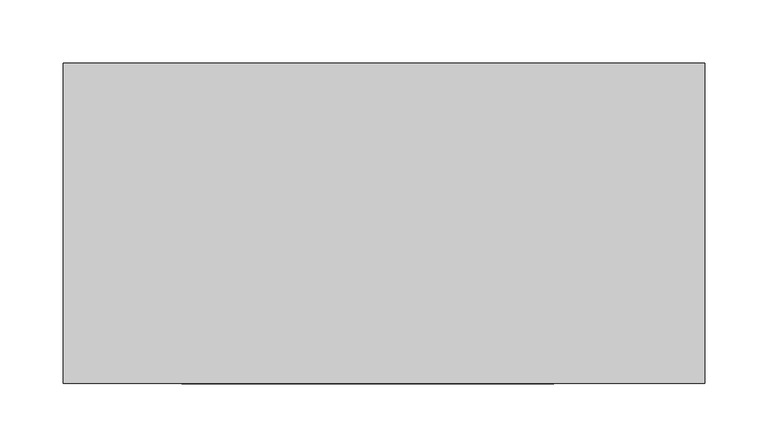
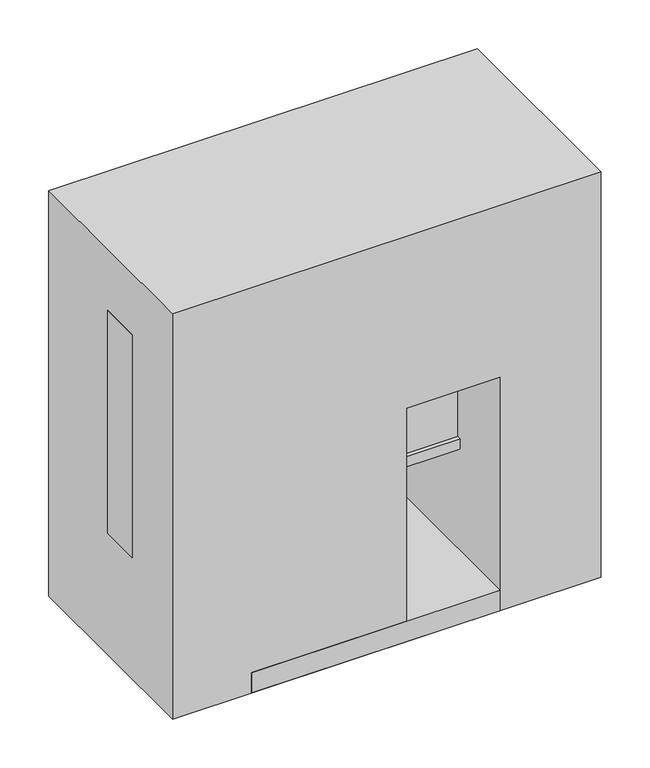
"""IFC4 building model written with IfcOpenShell, lengths in millimetres: proxy geometry."""

from ifc_helpers import new_model, si_unit, origin, place, context, project, spatial, faceted_brep, source, transform, mapped, element, save


def specialty_equipment_f5d2d7ad(model_context):
    return source(origin(), model_context, "Body", "Brep", [
        faceted_brep([(228.6, 6.2656905, 431.8), (-254.0, 6.2656905, 431.8), (-254.0, -44.3656905, 431.8), (228.6, -44.3656905, 431.8), (228.6, 6.2656905, 152.4), (228.6, -44.3656905, 152.4), (-254.0, -44.3656905, 152.4), (-254.0, 6.2656905, 152.4), (-241.3, -44.3656905, 419.1), (215.9, -44.3656905, 419.1), (215.9, -44.3656905, 165.1), (-241.3, -44.3656905, 165.1), (215.9, -39.5794881, 419.1), (-241.3, -39.5794881, 419.1), (215.9, -39.5794881, 165.1), (-241.3, -39.5794881, 165.1)], [[[0, 1, 2, 3]], [[4, 5, 6, 7]], [[1, 0, 4, 7]], [[2, 1, 7, 6]], [[3, 2, 6, 5], [8, 9, 10, 11]], [[0, 3, 5, 4]], [[12, 9, 8, 13]], [[14, 15, 11, 10]], [[12, 13, 15, 14]], [[13, 8, 11, 15]], [[9, 12, 14, 10]]]),
        faceted_brep([(134.5218395, -127.0, 25.4), (134.5218395, -127.0, 0.0), (134.5218395, 88.9, 0.0), (134.5218395, 88.9, 25.4), (-159.9218395, -127.0, 25.4), (-159.9218395, 88.9, 25.4), (-159.9218395, 88.9, 0.0), (-159.9218395, -127.0, 0.0), (24.2685686, 69.7656905, 31.75), (24.2685686, 69.7656905, 25.4), (-49.6685686, 69.7656905, 25.4), (-49.6685686, 69.7656905, 31.75), (24.2685686, 69.7656905, 292.1), (-49.6685686, 69.7656905, 292.1), (24.2685686, 6.2656905, 292.1), (-49.6685686, 6.2656905, 292.1), (24.2685686, 6.2656905, 241.3), (-49.6685686, 6.2656905, 241.3), (24.2685686, 44.3656905, 241.3), (-49.6685686, 44.3656905, 241.3), (24.2685686, 44.3656905, 25.4), (-49.6685686, 44.3656905, 25.4)], [[[0, 1, 2, 3]], [[4, 5, 6, 7]], [[8, 9, 10, 11]], [[12, 8, 11, 13]], [[14, 12, 13, 15]], [[16, 14, 15, 17]], [[18, 16, 17, 19]], [[20, 18, 19, 21]], [[0, 3, 5, 4], [20, 21, 10, 9]], [[1, 0, 4, 7]], [[2, 1, 7, 6]], [[5, 3, 2, 6]], [[20, 9, 8, 12, 14, 16, 18]], [[10, 21, 19, 17, 15, 13, 11]]]),
        faceted_brep([(254.0, 127.0, 508.0), (-254.0, 127.0, 508.0), (-254.0, -127.0, 508.0), (254.0, -127.0, 508.0), (254.0, 127.0, 0.0), (254.0, -127.0, 0.0), (-254.0, -127.0, 0.0), (-254.0, 127.0, 0.0), (24.2685686, -127.0, 292.1), (134.5218395, -127.0, 292.1), (134.5218395, -127.0, 25.4), (24.2685686, -127.0, 25.4), (134.5218395, 88.9, 292.1), (24.2685686, 88.9, 292.1), (24.2685686, 88.9, 25.4), (134.5218395, 88.9, 25.4)], [[[0, 1, 2, 3]], [[4, 5, 6, 7]], [[1, 0, 4, 7]], [[2, 1, 7, 6]], [[3, 2, 6, 5], [8, 9, 10, 11]], [[0, 3, 5, 4]], [[12, 13, 14, 15]], [[13, 12, 9, 8]], [[14, 13, 8, 11]], [[15, 14, 11, 10]], [[12, 15, 10, 9]]]),
    ])


if __name__ == "__main__":
    model = new_model("IFC4")
    model_context = context("Model", 3, world=origin())
    ifc_project = project(units=[si_unit("LENGTHUNIT", "METRE", prefix="MILLI")], contexts=[model_context])
    site = spatial("IfcSite", under=ifc_project)
    building = spatial("IfcBuilding", under=site)
    placement = place(None, origin())
    specialty_equipment_shape = specialty_equipment_f5d2d7ad(model_context)
    element("IfcBuildingElementProxy", 1, Name="Specialty Equipment", at=placement, inside=building, context=model_context, shape_type="MappedRepresentation", body=[
        mapped(specialty_equipment_shape, transform((0.0, 0.0, 0.0), x_axis=(1.0, 0.0, 0.0), y_axis=(0.0, 1.0, 0.0), z_axis=(0.0, 0.0, 1.0))),
    ])
    save(model, "model.ifc")
